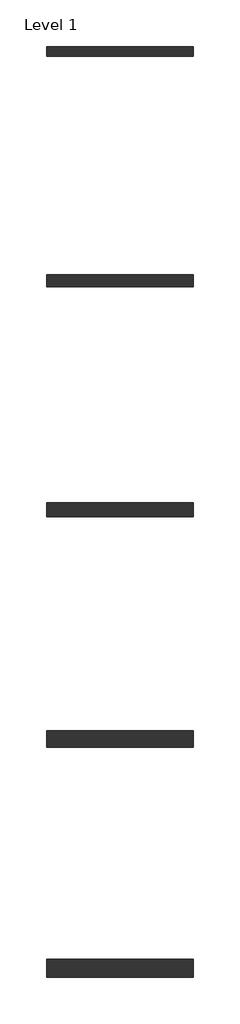
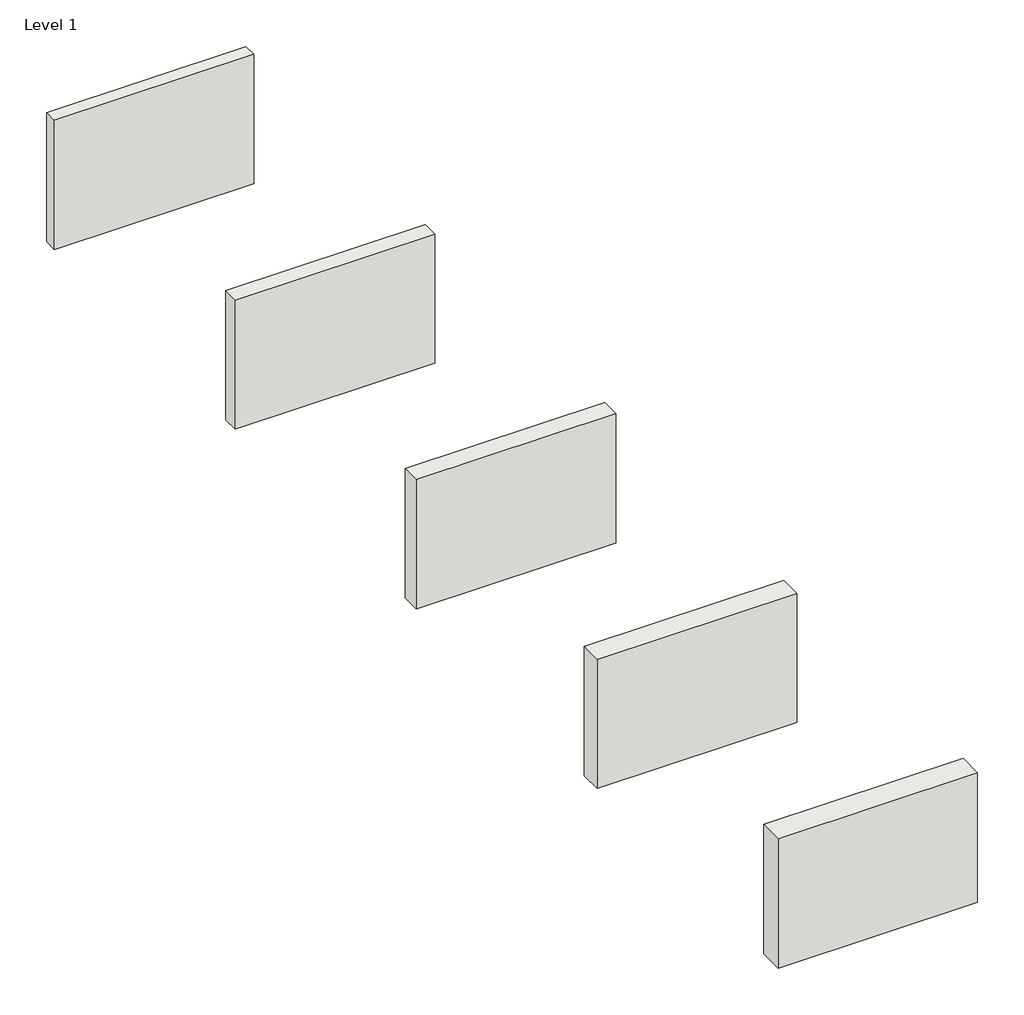
# One storey: 5 walls.
"""IFC4 building model written with IfcOpenShell, lengths in millimetres."""

from ifc_helpers import new_model, si_unit, origin, origin_with_axes, place, context, project, spatial, polyline, outline, extrude, element, save

model = new_model("IFC4")

# Units and contexts
model_context = context("Model", 3, world=origin())
ifc_project = project(units=[si_unit("LENGTHUNIT", "METRE", prefix="MILLI")], contexts=[model_context])

# Site, building, storey
site = spatial("IfcSite", under=ifc_project)
building = spatial("IfcBuilding", under=site)
storey = spatial("IfcBuildingStorey", under=building, Name="Level 1", Elevation=0.0)

# Walls
placement = place(None, origin())
element("IfcWall", 1, at=placement, inside=storey, context=model_context, shape_type="SweptSolid", body=[
    extrude(outline(polyline([(79171.8298824, -75329.5926498), (75615.8298824, -75329.5926498), (75615.8298824, -75088.2926498), (79171.8298824, -75088.2926498), (79171.8298824, -75329.5926498)])), origin_with_axes(), (0.0, 0.0, 1.0), 2438.4),
])
element("IfcWall", 2, at=placement, inside=storey, context=model_context, shape_type="SweptSolid", body=[
    extrude(outline(polyline([(79171.8298824, -80917.5926498), (75615.8298824, -80917.5926498), (75615.8298824, -80625.4926498), (79171.8298824, -80625.4926498), (79171.8298824, -80917.5926498)])), origin_with_axes(), (0.0, 0.0, 1.0), 2438.4),
])
element("IfcWall", 3, at=placement, inside=storey, context=model_context, shape_type="SweptSolid", body=[
    extrude(outline(polyline([(79171.8298824, -86505.5926498), (75615.8298824, -86505.5926498), (75615.8298824, -86162.6926498), (79171.8298824, -86162.6926498), (79171.8298824, -86505.5926498)])), origin_with_axes(), (0.0, 0.0, 1.0), 2438.4),
])
element("IfcWall", 4, at=placement, inside=storey, context=model_context, shape_type="SweptSolid", body=[
    extrude(outline(polyline([(79171.8298824, -92093.5926498), (75615.8298824, -92093.5926498), (75615.8298824, -91699.8926498), (79171.8298824, -91699.8926498), (79171.8298824, -92093.5926498)])), origin_with_axes(), (0.0, 0.0, 1.0), 2438.4),
])
element("IfcWall", 5, at=placement, inside=storey, context=model_context, shape_type="SweptSolid", body=[
    extrude(outline(polyline([(79171.8298824, -97681.5926498), (75615.8298824, -97681.5926498), (75615.8298824, -97237.0926498), (79171.8298824, -97237.0926498), (79171.8298824, -97681.5926498)])), origin_with_axes(), (0.0, 0.0, 1.0), 2438.4),
])

save(model, "model.ifc")
